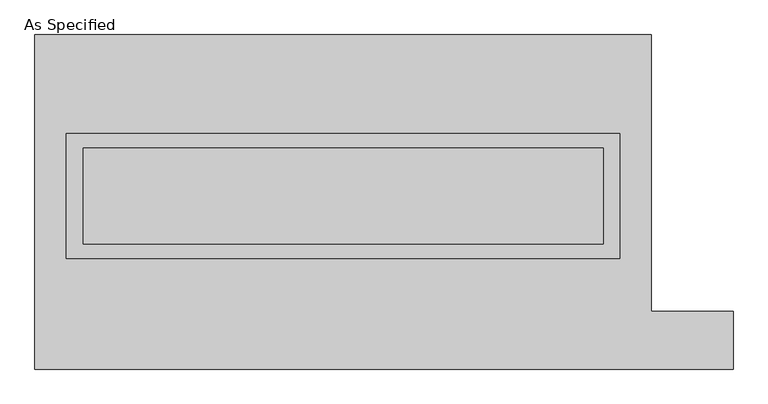
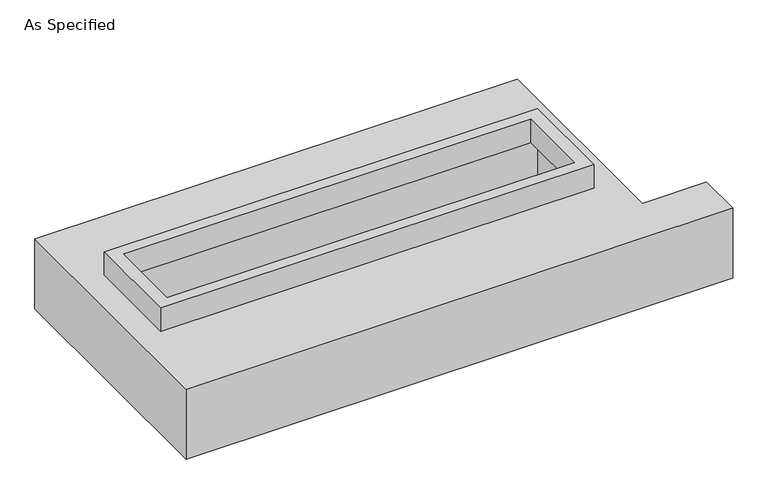
"""IFC4 building model written with IfcOpenShell, lengths in millimetres: proxy geometry, As Specified."""

from ifc_helpers import new_model, si_unit, frame, origin, place, context, project, spatial, polyline, outline, extrude, faceted_brep, source, transform, mapped, element, save


def as_specified_7cf8ffe5(model_context):
    return source(origin(), model_context, "Body", "SolidModel", [
        extrude(outline(polyline([(1460.5, 361.95), (1460.5, -298.45), (-1460.5, -298.45), (-1460.5, 361.95), (1460.5, 361.95)]), holes=[polyline([(1371.6, 285.75), (-1371.6, 285.75), (-1371.6, -222.25), (1371.6, -222.25), (1371.6, 285.75)])]), frame((0.0, 0.0, -25.4), z_axis=(0.0, 0.0, 1.0), x_axis=(1.0, 0.0, 0.0)), (0.0, 0.0, 1.0), 165.1),
        faceted_brep([(-1625.6, 882.65, -523.875), (1625.6, 882.65, -523.875), (1625.6, -577.85, -523.875), (2057.4, -577.85, -523.875), (2057.4, -882.65, -523.875), (-1625.6, -882.65, -523.875), (1625.6, 882.65, -25.4), (-1625.6, 882.65, -25.4), (-1625.6, -882.65, -25.4), (2057.4, -882.65, -25.4), (2057.4, -577.85, -25.4), (1625.6, -577.85, -25.4), (-1460.5, -298.45, -25.4), (-1460.5, 361.95, -25.4), (1460.5, 361.95, -25.4), (1460.5, -298.45, -25.4), (1460.5, 361.95, -498.475), (-1460.5, 361.95, -498.475), (-1460.5, -298.45, -498.475), (1460.5, -298.45, -498.475)], [[[0, 1, 2, 3, 4, 5]], [[6, 7, 8, 9, 10, 11], [12, 13, 14, 15]], [[1, 0, 7, 6]], [[7, 0, 5, 8]], [[1, 6, 11, 2]], [[16, 17, 18, 19]], [[18, 17, 13, 12]], [[17, 16, 14, 13]], [[16, 19, 15, 14]], [[19, 18, 12, 15]], [[5, 4, 9, 8]], [[3, 2, 11, 10]], [[4, 3, 10, 9]]]),
    ])


if __name__ == "__main__":
    model = new_model("IFC4")
    model_context = context("Model", 3, world=origin())
    ifc_project = project(units=[si_unit("LENGTHUNIT", "METRE", prefix="MILLI")], contexts=[model_context])
    site = spatial("IfcSite", under=ifc_project)
    building = spatial("IfcBuilding", under=site)
    placement = place(None, origin())
    as_specified_shape = as_specified_7cf8ffe5(model_context)
    element("IfcBuildingElementProxy", 1, Name="As Specified", ObjectType="As Specified", at=placement, inside=building, context=model_context, shape_type="MappedRepresentation", body=[
        mapped(as_specified_shape, transform((0.0, 0.0, 0.0), x_axis=(1.0, 0.0, 0.0), y_axis=(0.0, 1.0, 0.0), z_axis=(0.0, 0.0, 1.0))),
    ])
    save(model, "model.ifc")
